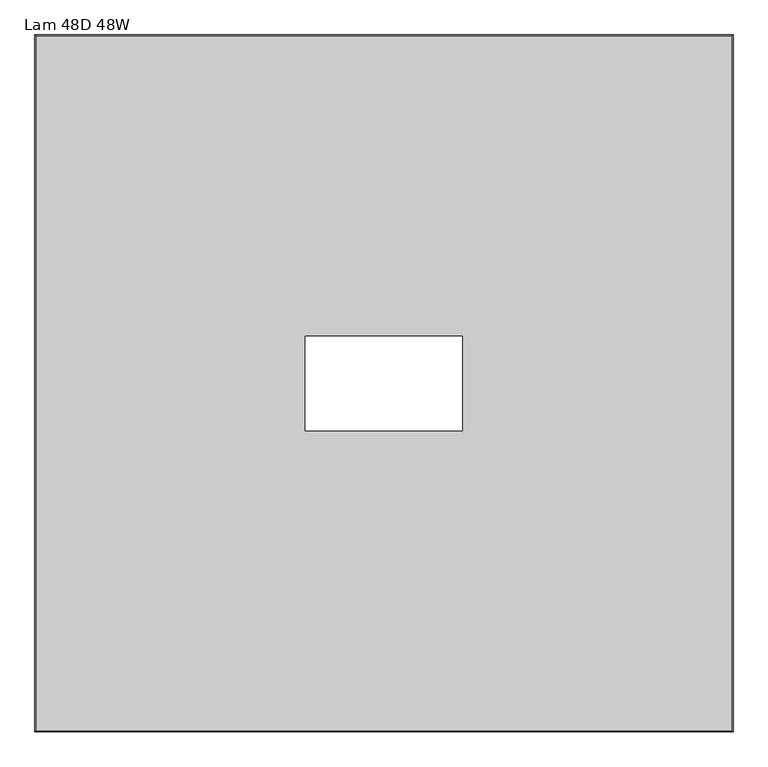
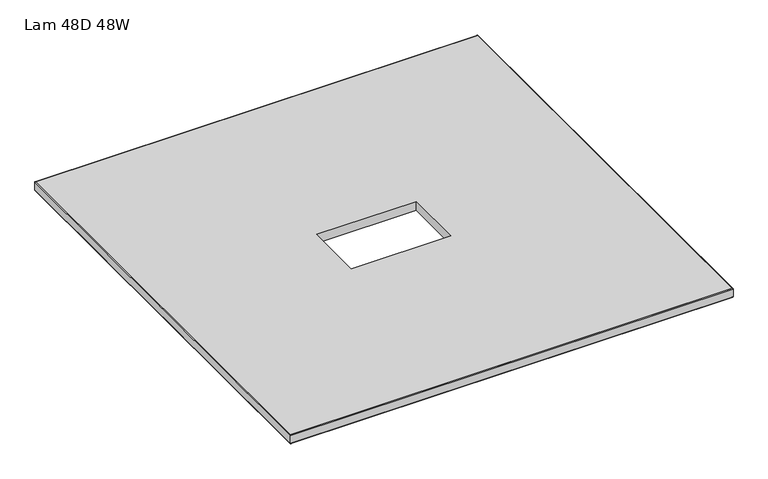
"""IFC4 building model written with IfcOpenShell, lengths in millimetres: furniture geometry, Lam 48D 48W."""

from ifc_helpers import new_model, si_unit, frame, origin, place, context, project, spatial, polyline, ellipse_curve, outline, extrude, source, transform, mapped, element, save
from ifc_brep_helpers import plane_surface, cylinder_surface, advanced_brep


def lam_48d_48w_1b0c2707(model_context):
    return source(origin(), model_context, "Body", "SolidModel", [
        advanced_brep(
        [(-397.0, 604.8248, 723.9), (-397.0, 604.8248, 698.5), (814.5518, 604.8248, 698.5), (814.5518, 604.8248, 723.9), (814.5518, -604.8248, 698.5), (814.5518, -604.8248, 723.9), (-397.0, -604.8248, 698.5), (-397.0, -604.8248, 723.9), (-398.6002, 606.425, 700.1002), (-398.6002, 606.425, 722.2998), (816.152, 606.425, 722.2998), (816.152, 606.425, 700.1002), (816.152, -606.425, 722.2998), (816.152, -606.425, 700.1002), (-398.6002, -606.425, 722.2998), (-398.6002, -606.425, 700.1002)],
        [
            (0, 1),
            (1, 2),
            (2, 3),
            (3, 0),
            (2, 4),
            (4, 5),
            (5, 3),
            (4, 6),
            (6, 7),
            (7, 5),
            (6, 1),
            (0, 7),
            (8, 9),
            (9, 10),
            (10, 11),
            (11, 8),
            (10, 12),
            (12, 13),
            (13, 11),
            (12, 14),
            (14, 15),
            (15, 13),
            (14, 9),
            (8, 15),
            (9, 0, ellipse_curve(frame((-397.0, 604.8248, 722.2998), z_axis=(0.7071067811865475, 0.7071067811865475, 0.0), x_axis=(-0.7071067811865476, 0.7071067811865474, 0.0)), 2.2630245, 1.6002)),
            (3, 10, ellipse_curve(frame((814.5518, 604.8248, 722.2998), z_axis=(-0.7071067811865475, 0.7071067811865475, 0.0), x_axis=(-0.7071067811865476, -0.7071067811865474, 0.0)), 2.2630245, 1.6002)),
            (1, 8, ellipse_curve(frame((-397.0, 604.8248, 700.1002), z_axis=(0.7071067811865475, 0.7071067811865475, 0.0), x_axis=(-0.7071067811865476, 0.7071067811865474, 0.0)), 2.2630245, 1.6002)),
            (11, 2, ellipse_curve(frame((814.5518, 604.8248, 700.1002), z_axis=(-0.7071067811865475, 0.7071067811865475, 0.0), x_axis=(-0.7071067811865476, -0.7071067811865474, 0.0)), 2.2630245, 1.6002)),
            (5, 12, ellipse_curve(frame((814.5518, -604.8248, 722.2998), z_axis=(0.7071067811865475, 0.7071067811865475, 0.0), x_axis=(-0.7071067811865474, 0.7071067811865476, 0.0)), 2.2630245, 1.6002)),
            (13, 4, ellipse_curve(frame((814.5518, -604.8248, 700.1002), z_axis=(0.7071067811865475, 0.7071067811865475, 0.0), x_axis=(-0.7071067811865474, 0.7071067811865476, 0.0)), 2.2630245, 1.6002)),
            (7, 14, ellipse_curve(frame((-397.0, -604.8248, 722.2998), z_axis=(0.7071067811865475, -0.7071067811865475, 0.0), x_axis=(0.7071067811865476, 0.7071067811865474, 0.0)), 2.2630245, 1.6002)),
            (15, 6, ellipse_curve(frame((-397.0, -604.8248, 700.1002), z_axis=(0.7071067811865475, -0.7071067811865475, 0.0), x_axis=(0.7071067811865476, 0.7071067811865474, 0.0)), 2.2630245, 1.6002)),
        ],
        [
            plane_surface(frame((-397.0, 604.8248, 698.5), z_axis=(0.0, -1.0, 0.0), x_axis=(1.0, 0.0, 0.0))),
            plane_surface(frame((814.5518, 604.8248, 698.5), z_axis=(-1.0, 0.0, 0.0), x_axis=(0.0, -1.0, 0.0))),
            plane_surface(frame((814.5518, -604.8248, 698.5), z_axis=(0.0, 1.0, 0.0), x_axis=(-1.0, 0.0, 0.0))),
            plane_surface(frame((-397.0, -604.8248, 698.5), z_axis=(1.0, 0.0, 0.0), x_axis=(0.0, 1.0, 0.0))),
            plane_surface(frame((-398.6002, 606.425, 722.2998), z_axis=(0.0, 1.0, 0.0), x_axis=(1.0, 0.0, 0.0))),
            plane_surface(frame((816.152, 606.425, 722.2998), z_axis=(1.0, 0.0, 0.0), x_axis=(0.0, -1.0, 0.0))),
            plane_surface(frame((816.152, -606.425, 722.2998), z_axis=(0.0, -1.0, 0.0), x_axis=(-1.0, 0.0, 0.0))),
            plane_surface(frame((-398.6002, -606.425, 722.2998), z_axis=(-1.0, 0.0, 0.0), x_axis=(0.0, 1.0, 0.0))),
            cylinder_surface(frame((-397.0, 604.8248, 722.2998), z_axis=(-1.0, 0.0, 0.0), x_axis=(0.0, -1.0, 0.0)), 1.6002),
            cylinder_surface(frame((-397.0, 604.8248, 700.1002), z_axis=(-1.0, 0.0, 0.0), x_axis=(0.0, -1.0, 0.0)), 1.6002),
            cylinder_surface(frame((814.5518, 604.8248, 722.2998), z_axis=(0.0, 1.0, 0.0), x_axis=(-1.0, 0.0, 0.0)), 1.6002),
            cylinder_surface(frame((814.5518, 604.8248, 700.1002), z_axis=(0.0, 1.0, 0.0), x_axis=(-1.0, 0.0, 0.0)), 1.6002),
            cylinder_surface(frame((814.5518, -604.8248, 722.2998), z_axis=(1.0, 0.0, 0.0), x_axis=(0.0, 1.0, 0.0)), 1.6002),
            cylinder_surface(frame((814.5518, -604.8248, 700.1002), z_axis=(1.0, 0.0, 0.0), x_axis=(0.0, 1.0, 0.0)), 1.6002),
            cylinder_surface(frame((-397.0, -604.8248, 722.2998), z_axis=(0.0, -1.0, 0.0), x_axis=(1.0, 0.0, 0.0)), 1.6002),
            cylinder_surface(frame((-397.0, -604.8248, 700.1002), z_axis=(0.0, -1.0, 0.0), x_axis=(1.0, 0.0, 0.0)), 1.6002),
        ],
        [
            (0, [[1, 2, 3, 4]]),
            (1, [[-3, 5, 6, 7]]),
            (2, [[-6, 8, 9, 10]]),
            (3, [[-9, 11, -1, 12]]),
            (4, [[13, 14, 15, 16]]),
            (5, [[-15, 17, 18, 19]]),
            (6, [[-18, 20, 21, 22]]),
            (7, [[-21, 23, -13, 24]]),
            (8, [[25, -4, 26, -14]]),
            (9, [[27, -16, 28, -2]]),
            (10, [[-26, -7, 29, -17]]),
            (11, [[-28, -19, 30, -5]]),
            (12, [[-29, -10, 31, -20]]),
            (13, [[-30, -22, 32, -8]]),
            (14, [[-31, -12, -25, -23]]),
            (15, [[-32, -24, -27, -11]]),
        ],
    ),
        extrude(outline(polyline([(814.5518, 604.8248), (814.5518, -604.8248), (-397.0, -604.8248), (-397.0, 604.8248), (814.5518, 604.8248)]), holes=[polyline([(344.601, 81.915), (71.551, 81.915), (71.551, -81.915), (344.601, -81.915), (344.601, 81.915)])]), frame((0.0, 0.0, 698.5), z_axis=(0.0, 0.0, 1.0), x_axis=(1.0, 0.0, 0.0)), (0.0, 0.0, 1.0), 25.4),
    ])


if __name__ == "__main__":
    model = new_model("IFC4")
    model_context = context("Model", 3, world=origin())
    ifc_project = project(units=[si_unit("LENGTHUNIT", "METRE", prefix="MILLI")], contexts=[model_context])
    site = spatial("IfcSite", under=ifc_project)
    building = spatial("IfcBuilding", under=site)
    placement = place(None, origin())
    lam_48d_48w_shape = lam_48d_48w_1b0c2707(model_context)
    element("IfcFurniture", 1, ObjectType="Lam 48D 48W", at=placement, inside=building, context=model_context, shape_type="MappedRepresentation", body=[
        mapped(lam_48d_48w_shape, transform((0.0, 0.0, 0.0), x_axis=(1.0, 0.0, 0.0), y_axis=(0.0, 1.0, 0.0), z_axis=(0.0, 0.0, 1.0))),
    ])
    save(model, "model.ifc")
